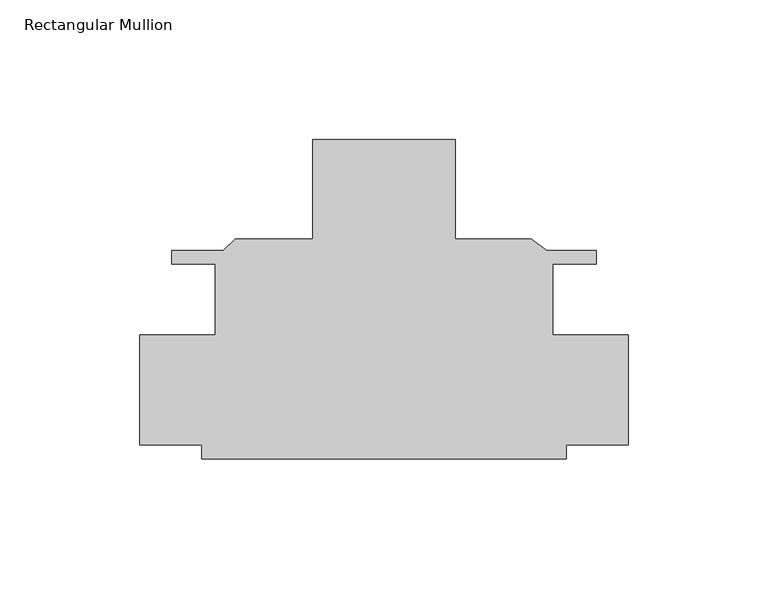
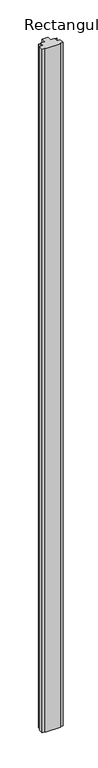
"""IFC4 building model written with IfcOpenShell, lengths in millimetres: member geometry, Rectangular Mullion."""

from ifc_helpers import new_model, si_unit, frame, origin, place, context, project, spatial, polyline, outline, extrude, source, transform, mapped, element, save


def rectangular_mullion_227bb616(model_context):
    return source(origin(), model_context, "Body", "SweptSolid", [
        extrude(outline(polyline([(20.3599896, 57.1500208), (20.3599896, 21.6662001), (47.6481798, 21.6662001), (53.1401031, 17.3990001), (70.7861392, 17.3990001), (70.7861392, 12.6999999), (55.2861228, 12.6999999), (55.2861228, -12.7000001), (82.2724896, -12.7000001), (82.2724896, -52.0699999), (60.0474896, -52.0699999), (60.0474896, -57.1499792), (-70.1275104, -57.1499792), (-70.1275104, -52.0699999), (-92.3525105, -52.0699999), (-92.3525105, -12.6999999), (-65.3750172, -12.6999999), (-65.3750172, 12.6999999), (-80.86616, 12.6999999), (-80.86616, 17.3990001), (-62.4836522, 17.3990001), (-58.2164522, 21.6662001), (-30.4400104, 21.6662001), (-30.4400104, 57.1500208), (20.3599896, 57.1500208)])), frame((0.0, 0.0, -6096.0), z_axis=(0.0, 0.0, 1.0), x_axis=(1.0, 0.0, 0.0)), (0.0, 0.0, 1.0), 6096.0),
    ])


if __name__ == "__main__":
    model = new_model("IFC4")
    model_context = context("Model", 3, world=origin())
    ifc_project = project(units=[si_unit("LENGTHUNIT", "METRE", prefix="MILLI")], contexts=[model_context])
    site = spatial("IfcSite", under=ifc_project)
    building = spatial("IfcBuilding", under=site)
    placement = place(None, origin())
    rectangular_mullion_shape = rectangular_mullion_227bb616(model_context)
    element("IfcMember", 1, ObjectType="Rectangular Mullion", at=placement, inside=building, context=model_context, shape_type="MappedRepresentation", body=[
        mapped(rectangular_mullion_shape, transform((0.0, 0.0, 0.0), x_axis=(1.0, 0.0, 0.0), y_axis=(0.0, 1.0, 0.0), z_axis=(0.0, 0.0, 1.0))),
    ])
    save(model, "model.ifc")
